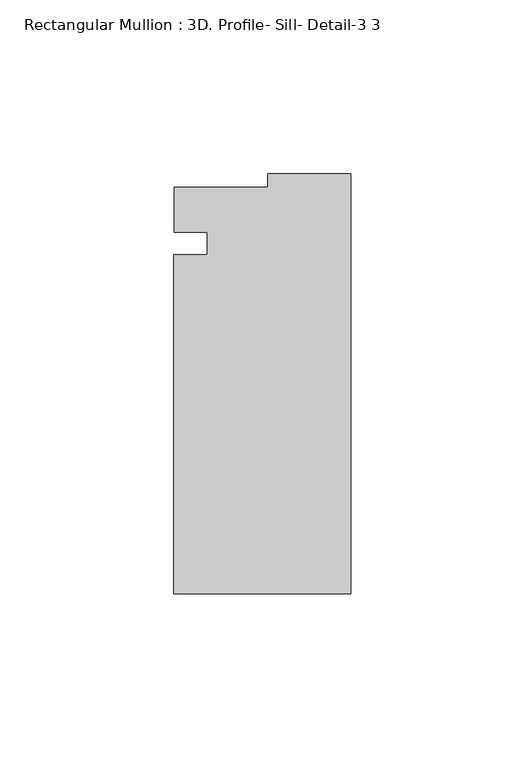
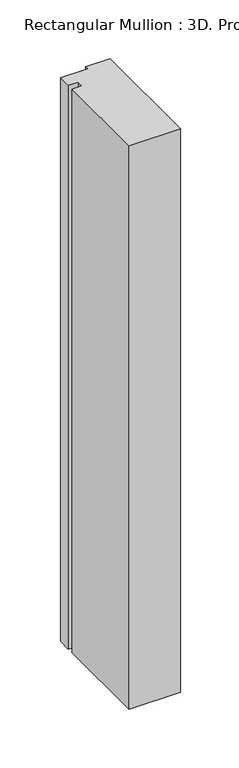
"""IFC4 building model written with IfcOpenShell, lengths in millimetres: member geometry, Rectangular Mullion : 3D. Profile- Sill- Detail-3 3."""

from ifc_helpers import new_model, si_unit, frame, origin, place, context, project, spatial, polyline, outline, extrude, source, transform, mapped, element, save


def rectangular_mullion_3d_profile_sill_detail_3_3_053f5984(model_context):
    return source(origin(), model_context, "Body", "SweptSolid", [
        extrude(outline(polyline([(-50.8, -59.8450925), (-50.8, 37.5800829), (-41.275, 37.5800829), (-41.275, 44.0203213), (-50.7758192, 44.0203213), (-50.7758192, 57.0050675), (-23.7756192, 57.0050675), (-23.7756192, 60.8049075), (0.0, 60.8049075), (0.0, -59.8450925), (-50.8, -59.8450925)])), frame((0.0, 0.0, -587.4934446), z_axis=(0.0, 0.0, 1.0), x_axis=(1.0, 0.0, 0.0)), (0.0, 0.0, 1.0), 587.4934446),
    ])


if __name__ == "__main__":
    model = new_model("IFC4")
    model_context = context("Model", 3, world=origin())
    ifc_project = project(units=[si_unit("LENGTHUNIT", "METRE", prefix="MILLI")], contexts=[model_context])
    site = spatial("IfcSite", under=ifc_project)
    building = spatial("IfcBuilding", under=site)
    placement = place(None, origin())
    rectangular_mullion_3d_profile_sill_detail_3_3_shape = rectangular_mullion_3d_profile_sill_detail_3_3_053f5984(model_context)
    element("IfcMember", 1, ObjectType="Rectangular Mullion : 3D. Profile- Sill- Detail-3 3", at=placement, inside=building, context=model_context, shape_type="MappedRepresentation", body=[
        mapped(rectangular_mullion_3d_profile_sill_detail_3_3_shape, transform((0.0, 0.0, 0.0), x_axis=(1.0, 0.0, 0.0), y_axis=(0.0, 1.0, 0.0), z_axis=(0.0, 0.0, 1.0))),
    ])
    save(model, "model.ifc")
